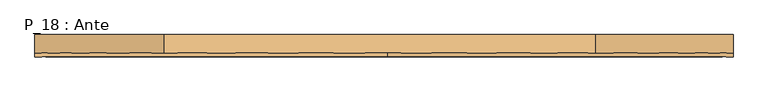
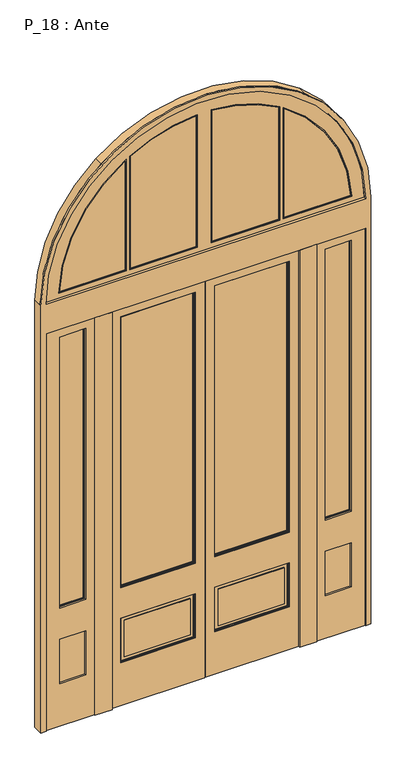
"""IFC4 building model written with IfcOpenShell, lengths in millimetres: door geometry, P_18 : Ante."""

from ifc_helpers import new_model, si_unit, point, frame, frame_2d, origin, origin_with_axes, place, context, project, spatial, polyline, circle_curve, trimmed, segment, composite_curve, outline, extrude, source, transform, mapped, element, save
from ifc_brep_helpers import plane_surface, cylinder_surface, revolved_surface, advanced_brep


def p_18_ante_48ee6f2b(model_context):
    return source(origin(), model_context, "Body", "SolidModel", [
        extrude(outline(polyline([(2420.0, 640.0), (0.0, 640.0), (0.0, 920.0), (2420.0, 920.0), (2420.0, 640.0)]), holes=[polyline([(530.0, 690.0), (530.0, 840.0), (260.0, 840.0), (260.0, 690.0), (530.0, 690.0)]), polyline([(2370.0, 690.0), (2370.0, 840.0), (720.0, 840.0), (720.0, 690.0), (2370.0, 690.0)])]), frame((0.0, 85.0, 0.0), z_axis=(0.0, 1.0, 0.0), x_axis=(0.0, 0.0, 1.0)), (0.0, 0.0, 1.0), 15.0),
        extrude(outline(polyline([(2420.0, -920.0), (0.0, -920.0), (0.0, -640.0), (2420.0, -640.0), (2420.0, -920.0)]), holes=[polyline([(530.0, -840.0), (530.0, -690.0), (260.0, -690.0), (260.0, -840.0), (530.0, -840.0)]), polyline([(2370.0, -840.0), (2370.0, -690.0), (720.0, -690.0), (720.0, -840.0), (2370.0, -840.0)])]), frame((0.0, 85.0, 0.0), z_axis=(0.0, 1.0, 0.0), x_axis=(0.0, 0.0, 1.0)), (0.0, 0.0, 1.0), 15.0),
        extrude(outline(polyline([(2420.0, 640.0), (0.0, 640.0), (0.0, 920.0), (2420.0, 920.0), (2420.0, 640.0)]), holes=[polyline([(530.0, 690.0), (530.0, 840.0), (260.0, 840.0), (260.0, 690.0), (530.0, 690.0)]), polyline([(2370.0, 690.0), (2370.0, 840.0), (720.0, 840.0), (720.0, 690.0), (2370.0, 690.0)])]), frame((0.0, 55.0, 0.0), z_axis=(0.0, 1.0, 0.0), x_axis=(0.0, 0.0, 1.0)), (0.0, 0.0, 1.0), 10.0),
        extrude(outline(polyline([(2420.0, -920.0), (0.0, -920.0), (0.0, -640.0), (2420.0, -640.0), (2420.0, -920.0)]), holes=[polyline([(530.0, -840.0), (530.0, -690.0), (260.0, -690.0), (260.0, -840.0), (530.0, -840.0)]), polyline([(2370.0, -840.0), (2370.0, -690.0), (720.0, -690.0), (720.0, -840.0), (2370.0, -840.0)])]), frame((0.0, 55.0, 0.0), z_axis=(0.0, 1.0, 0.0), x_axis=(0.0, 0.0, 1.0)), (0.0, 0.0, 1.0), 10.0),
        extrude(outline(polyline([(-480.0, 84.0), (-61.0, 84.0), (-61.0, 76.0), (-480.0, 76.0), (-480.0, 84.0)])), frame((0.0, 0.0, 720.0), z_axis=(0.0, 0.0, 1.0), x_axis=(1.0, 0.0, 0.0)), (0.0, 0.0, 1.0), 1640.0),
        extrude(outline(polyline([(61.0, 84.0), (480.0, 84.0), (480.0, 76.0), (61.0, 76.0), (61.0, 84.0)])), frame((0.0, 0.0, 720.0), z_axis=(0.0, 0.0, 1.0), x_axis=(1.0, 0.0, 0.0)), (0.0, 0.0, 1.0), 1640.0),
        extrude(outline(polyline([(2365.0, -56.0), (2365.0, -485.0), (715.0, -485.0), (715.0, -56.0), (2365.0, -56.0)]), holes=[polyline([(2360.0, -61.0), (720.0, -61.0), (720.0, -480.0), (2360.0, -480.0), (2360.0, -61.0)])]), frame((0.0, 65.0, 0.0), z_axis=(0.0, 1.0, 0.0), x_axis=(0.0, 0.0, 1.0)), (0.0, 0.0, 1.0), 5.0),
        extrude(outline(polyline([(530.0, -56.0), (530.0, -485.0), (260.0, -485.0), (260.0, -56.0), (530.0, -56.0)]), holes=[polyline([(525.0, -61.0), (265.0, -61.0), (265.0, -480.0), (525.0, -480.0), (525.0, -61.0)])]), frame((0.0, 65.0, 0.0), z_axis=(0.0, 1.0, 0.0), x_axis=(0.0, 0.0, 1.0)), (0.0, 0.0, 1.0), 5.0),
        extrude(outline(polyline([(-81.0, 65.0), (-460.0, 65.0), (-460.0, 70.0), (-81.0, 70.0), (-81.0, 65.0)])), frame((0.0, 0.0, 285.0), z_axis=(0.0, 0.0, 1.0), x_axis=(1.0, 0.0, 0.0)), (0.0, 0.0, 1.0), 220.0),
        extrude(outline(polyline([(2420.0, -1.0), (2420.0, -540.0), (0.0, -540.0), (0.0, -1.0), (2420.0, -1.0)]), holes=[polyline([(2365.0, -56.0), (715.0, -56.0), (715.0, -485.0), (2365.0, -485.0), (2365.0, -56.0)]), polyline([(530.0, -56.0), (260.0, -56.0), (260.0, -485.0), (530.0, -485.0), (530.0, -56.0)])]), frame((0.0, 60.0, 0.0), z_axis=(0.0, 1.0, 0.0), x_axis=(0.0, 0.0, 1.0)), (0.0, 0.0, 1.0), 10.0),
        extrude(outline(polyline([(530.0, -485.0), (260.0, -485.0), (260.0, -56.0), (530.0, -56.0), (530.0, -485.0)]), holes=[polyline([(525.0, -480.0), (525.0, -61.0), (265.0, -61.0), (265.0, -480.0), (525.0, -480.0)])]), frame((0.0, 90.0, 0.0), z_axis=(0.0, 1.0, 0.0), x_axis=(0.0, 0.0, 1.0)), (0.0, 0.0, 1.0), 5.0),
        extrude(outline(polyline([(-460.0, 95.0), (-81.0, 95.0), (-81.0, 90.0), (-460.0, 90.0), (-460.0, 95.0)])), frame((0.0, 0.0, 285.0), z_axis=(0.0, 0.0, 1.0), x_axis=(1.0, 0.0, 0.0)), (0.0, 0.0, 1.0), 220.0),
        extrude(outline(polyline([(2365.0, -56.0), (2365.0, -485.0), (715.0, -485.0), (715.0, -56.0), (2365.0, -56.0)]), holes=[polyline([(2360.0, -61.0), (720.0, -61.0), (720.0, -480.0), (2360.0, -480.0), (2360.0, -61.0)])]), frame((0.0, 90.0, 0.0), z_axis=(0.0, 1.0, 0.0), x_axis=(0.0, 0.0, 1.0)), (0.0, 0.0, 1.0), 5.0),
        extrude(outline(polyline([(2420.0, -1.0), (2420.0, -540.0), (0.0, -540.0), (0.0, -1.0), (2420.0, -1.0)]), holes=[polyline([(2365.0, -56.0), (715.0, -56.0), (715.0, -485.0), (2365.0, -485.0), (2365.0, -56.0)]), polyline([(530.0, -485.0), (530.0, -56.0), (260.0, -56.0), (260.0, -485.0), (530.0, -485.0)])]), frame((0.0, 90.0, 0.0), z_axis=(0.0, 1.0, 0.0), x_axis=(0.0, 0.0, 1.0)), (0.0, 0.0, 1.0), 10.0),
        extrude(outline(polyline([(2420.0, -1.0), (2420.0, -540.0), (0.0, -540.0), (0.0, -1.0), (2420.0, -1.0)]), holes=[polyline([(2360.0, -61.0), (720.0, -61.0), (720.0, -480.0), (2360.0, -480.0), (2360.0, -61.0)])]), frame((0.0, 70.0, 0.0), z_axis=(0.0, 1.0, 0.0), x_axis=(0.0, 0.0, 1.0)), (0.0, 0.0, 1.0), 20.0),
        extrude(outline(polyline([(530.0, 485.0), (530.0, 56.0), (260.0, 56.0), (260.0, 485.0), (530.0, 485.0)]), holes=[polyline([(525.0, 480.0), (265.0, 480.0), (265.0, 61.0), (525.0, 61.0), (525.0, 480.0)])]), frame((0.0, 65.0, 0.0), z_axis=(0.0, 1.0, 0.0), x_axis=(0.0, 0.0, 1.0)), (0.0, 0.0, 1.0), 5.0),
        extrude(outline(polyline([(460.0, 65.0), (81.0, 65.0), (81.0, 70.0), (460.0, 70.0), (460.0, 65.0)])), frame((0.0, 0.0, 285.0), z_axis=(0.0, 0.0, 1.0), x_axis=(1.0, 0.0, 0.0)), (0.0, 0.0, 1.0), 220.0),
        extrude(outline(polyline([(2365.0, 56.0), (715.0, 56.0), (715.0, 485.0), (2365.0, 485.0), (2365.0, 56.0)]), holes=[polyline([(2360.0, 61.0), (2360.0, 480.0), (720.0, 480.0), (720.0, 61.0), (2360.0, 61.0)])]), frame((0.0, 65.0, 0.0), z_axis=(0.0, 1.0, 0.0), x_axis=(0.0, 0.0, 1.0)), (0.0, 0.0, 1.0), 5.0),
        extrude(outline(polyline([(2420.0, 1.0), (0.0, 1.0), (0.0, 540.0), (2420.0, 540.0), (2420.0, 1.0)]), holes=[polyline([(530.0, 485.0), (260.0, 485.0), (260.0, 56.0), (530.0, 56.0), (530.0, 485.0)]), polyline([(2365.0, 56.0), (2365.0, 485.0), (715.0, 485.0), (715.0, 56.0), (2365.0, 56.0)])]), frame((0.0, 60.0, 0.0), z_axis=(0.0, 1.0, 0.0), x_axis=(0.0, 0.0, 1.0)), (0.0, 0.0, 1.0), 10.0),
        extrude(outline(polyline([(2365.0, 56.0), (715.0, 56.0), (715.0, 485.0), (2365.0, 485.0), (2365.0, 56.0)]), holes=[polyline([(2360.0, 61.0), (2360.0, 480.0), (720.0, 480.0), (720.0, 61.0), (2360.0, 61.0)])]), frame((0.0, 90.0, 0.0), z_axis=(0.0, 1.0, 0.0), x_axis=(0.0, 0.0, 1.0)), (0.0, 0.0, 1.0), 5.0),
        extrude(outline(polyline([(530.0, 56.0), (260.0, 56.0), (260.0, 485.0), (530.0, 485.0), (530.0, 56.0)]), holes=[polyline([(525.0, 61.0), (525.0, 480.0), (265.0, 480.0), (265.0, 61.0), (525.0, 61.0)])]), frame((0.0, 90.0, 0.0), z_axis=(0.0, 1.0, 0.0), x_axis=(0.0, 0.0, 1.0)), (0.0, 0.0, 1.0), 5.0),
        extrude(outline(polyline([(81.0, 95.0), (460.0, 95.0), (460.0, 90.0), (81.0, 90.0), (81.0, 95.0)])), frame((0.0, 0.0, 285.0), z_axis=(0.0, 0.0, 1.0), x_axis=(1.0, 0.0, 0.0)), (0.0, 0.0, 1.0), 220.0),
        extrude(outline(polyline([(2420.0, 540.0), (2420.0, 1.0), (0.0, 1.0), (0.0, 540.0), (2420.0, 540.0)]), holes=[polyline([(530.0, 56.0), (530.0, 485.0), (260.0, 485.0), (260.0, 56.0), (530.0, 56.0)]), polyline([(2365.0, 485.0), (715.0, 485.0), (715.0, 56.0), (2365.0, 56.0), (2365.0, 485.0)])]), frame((0.0, 90.0, 0.0), z_axis=(0.0, 1.0, 0.0), x_axis=(0.0, 0.0, 1.0)), (0.0, 0.0, 1.0), 10.0),
        extrude(outline(polyline([(2420.0, 1.0), (0.0, 1.0), (0.0, 540.0), (2420.0, 540.0), (2420.0, 1.0)]), holes=[polyline([(2360.0, 61.0), (2360.0, 480.0), (720.0, 480.0), (720.0, 61.0), (2360.0, 61.0)])]), frame((0.0, 70.0, 0.0), z_axis=(0.0, 1.0, 0.0), x_axis=(0.0, 0.0, 1.0)), (0.0, 0.0, 1.0), 20.0),
        extrude(outline(polyline([(640.0, 50.0), (540.0, 50.0), (540.0, 100.0), (640.0, 100.0), (640.0, 50.0)])), origin_with_axes(), (0.0, 0.0, 1.0), 2420.0),
        extrude(outline(polyline([(-540.0, 50.0), (-640.0, 50.0), (-640.0, 100.0), (-540.0, 100.0), (-540.0, 50.0)])), origin_with_axes(), (0.0, 0.0, 1.0), 2420.0),
        extrude(outline(polyline([(-695.0, 71.0), (-865.0, 71.0), (-865.0, 79.0), (-695.0, 79.0), (-695.0, 71.0)])), frame((0.0, 0.0, 725.0), z_axis=(0.0, 0.0, 1.0), x_axis=(1.0, 0.0, 0.0)), (0.0, 0.0, 1.0), 1640.0),
        extrude(outline(polyline([(865.0, 71.0), (695.0, 71.0), (695.0, 79.0), (865.0, 79.0), (865.0, 71.0)])), frame((0.0, 0.0, 725.0), z_axis=(0.0, 0.0, 1.0), x_axis=(1.0, 0.0, 0.0)), (0.0, 0.0, 1.0), 1640.0),
        extrude(outline(polyline([(530.0, -690.0), (530.0, -840.0), (260.0, -840.0), (260.0, -690.0), (530.0, -690.0)]), holes=[polyline([(525.0, -695.0), (265.0, -695.0), (265.0, -835.0), (525.0, -835.0), (525.0, -695.0)])]), frame((0.0, 70.0, 0.0), z_axis=(0.0, 1.0, 0.0), x_axis=(0.0, 0.0, 1.0)), (0.0, 0.0, 1.0), 5.0),
        extrude(outline(polyline([(530.0, 840.0), (530.0, 690.0), (260.0, 690.0), (260.0, 840.0), (530.0, 840.0)]), holes=[polyline([(525.0, 835.0), (265.0, 835.0), (265.0, 695.0), (525.0, 695.0), (525.0, 835.0)])]), frame((0.0, 70.0, 0.0), z_axis=(0.0, 1.0, 0.0), x_axis=(0.0, 0.0, 1.0)), (0.0, 0.0, 1.0), 5.0),
        extrude(outline(polyline([(2370.0, -690.0), (2370.0, -840.0), (720.0, -840.0), (720.0, -690.0), (2370.0, -690.0)]), holes=[polyline([(2365.0, -695.0), (725.0, -695.0), (725.0, -835.0), (2365.0, -835.0), (2365.0, -695.0)])]), frame((0.0, 70.0, 0.0), z_axis=(0.0, 1.0, 0.0), x_axis=(0.0, 0.0, 1.0)), (0.0, 0.0, 1.0), 5.0),
        extrude(outline(polyline([(2370.0, 840.0), (2370.0, 690.0), (720.0, 690.0), (720.0, 840.0), (2370.0, 840.0)]), holes=[polyline([(2365.0, 835.0), (725.0, 835.0), (725.0, 695.0), (2365.0, 695.0), (2365.0, 835.0)])]), frame((0.0, 70.0, 0.0), z_axis=(0.0, 1.0, 0.0), x_axis=(0.0, 0.0, 1.0)), (0.0, 0.0, 1.0), 5.0),
        extrude(outline(polyline([(815.0, 70.0), (715.0, 70.0), (715.0, 75.0), (815.0, 75.0), (815.0, 70.0)])), frame((0.0, 0.0, 285.0), z_axis=(0.0, 0.0, 1.0), x_axis=(1.0, 0.0, 0.0)), (0.0, 0.0, 1.0), 220.0),
        extrude(outline(polyline([(-715.0, 70.0), (-815.0, 70.0), (-815.0, 75.0), (-715.0, 75.0), (-715.0, 70.0)])), frame((0.0, 0.0, 285.0), z_axis=(0.0, 0.0, 1.0), x_axis=(1.0, 0.0, 0.0)), (0.0, 0.0, 1.0), 220.0),
        extrude(outline(polyline([(530.0, 690.0), (260.0, 690.0), (260.0, 840.0), (530.0, 840.0), (530.0, 690.0)]), holes=[polyline([(525.0, 695.0), (525.0, 835.0), (265.0, 835.0), (265.0, 695.0), (525.0, 695.0)])]), frame((0.0, 85.0, 0.0), z_axis=(0.0, 1.0, 0.0), x_axis=(0.0, 0.0, 1.0)), (0.0, 0.0, 1.0), 5.0),
        extrude(outline(polyline([(530.0, -840.0), (260.0, -840.0), (260.0, -690.0), (530.0, -690.0), (530.0, -840.0)]), holes=[polyline([(525.0, -835.0), (525.0, -695.0), (265.0, -695.0), (265.0, -835.0), (525.0, -835.0)])]), frame((0.0, 85.0, 0.0), z_axis=(0.0, 1.0, 0.0), x_axis=(0.0, 0.0, 1.0)), (0.0, 0.0, 1.0), 5.0),
        extrude(outline(polyline([(2370.0, 690.0), (720.0, 690.0), (720.0, 840.0), (2370.0, 840.0), (2370.0, 690.0)]), holes=[polyline([(2365.0, 695.0), (2365.0, 835.0), (725.0, 835.0), (725.0, 695.0), (2365.0, 695.0)])]), frame((0.0, 85.0, 0.0), z_axis=(0.0, 1.0, 0.0), x_axis=(0.0, 0.0, 1.0)), (0.0, 0.0, 1.0), 5.0),
        extrude(outline(polyline([(2370.0, -840.0), (720.0, -840.0), (720.0, -690.0), (2370.0, -690.0), (2370.0, -840.0)]), holes=[polyline([(2365.0, -835.0), (2365.0, -695.0), (725.0, -695.0), (725.0, -835.0), (2365.0, -835.0)])]), frame((0.0, 85.0, 0.0), z_axis=(0.0, 1.0, 0.0), x_axis=(0.0, 0.0, 1.0)), (0.0, 0.0, 1.0), 5.0),
        extrude(outline(polyline([(815.0, 85.0), (715.0, 85.0), (715.0, 90.0), (815.0, 90.0), (815.0, 85.0)])), frame((0.0, 0.0, 285.0), z_axis=(0.0, 0.0, 1.0), x_axis=(1.0, 0.0, 0.0)), (0.0, 0.0, 1.0), 220.0),
        extrude(outline(polyline([(-715.0, 85.0), (-815.0, 85.0), (-815.0, 90.0), (-715.0, 90.0), (-715.0, 85.0)])), frame((0.0, 0.0, 285.0), z_axis=(0.0, 0.0, 1.0), x_axis=(1.0, 0.0, 0.0)), (0.0, 0.0, 1.0), 220.0),
        extrude(outline(polyline([(2420.0, 640.0), (0.0, 640.0), (0.0, 920.0), (2420.0, 920.0), (2420.0, 640.0)]), holes=[polyline([(2365.0, 695.0), (2365.0, 840.0), (725.0, 840.0), (725.0, 695.0), (2365.0, 695.0)])]), frame((0.0, 65.0, 0.0), z_axis=(0.0, 1.0, 0.0), x_axis=(0.0, 0.0, 1.0)), (0.0, 0.0, 1.0), 20.0),
        extrude(outline(polyline([(2420.0, -920.0), (0.0, -920.0), (0.0, -640.0), (2420.0, -640.0), (2420.0, -920.0)]), holes=[polyline([(2365.0, -840.0), (2365.0, -695.0), (725.0, -695.0), (725.0, -840.0), (2365.0, -840.0)])]), frame((0.0, 65.0, 0.0), z_axis=(0.0, 1.0, 0.0), x_axis=(0.0, 0.0, 1.0)), (0.0, 0.0, 1.0), 20.0),
        advanced_brep(
        [(-950.0, 50.0, 0.0), (-920.0, 50.0, 0.0), (-920.0, 50.0, 2420.0), (920.0, 50.0, 2420.0), (920.0, 50.0, 0.0), (950.0, 50.0, 0.0), (950.0, 50.0, 2600.0), (10.0746694, 50.0, 3549.946578), (-950.0, 50.0, 2600.0), (920.0, 50.0, 2600.0), (-920.0, 50.0, 2600.0), (-54.5964416, 50.0, 3518.3785867), (-950.0, 110.0, 0.0), (-920.0, 110.0, 0.0), (-920.0, 110.0, 2600.0), (-920.0, 105.0, 2600.0), (-920.0, 105.0, 2420.0), (920.0, 110.0, 2600.0), (920.0, 110.0, 0.0), (920.0, 105.0, 2420.0), (920.0, 105.0, 2600.0), (950.0, 110.0, 0.0), (950.0, 60.0, 2600.0), (950.0, 110.0, 2600.0), (950.0, 105.0, 2600.0), (-950.0, 60.0, 2600.0), (-950.0, 105.0, 2600.0), (-950.0, 110.0, 2600.0), (596.8275039, 110.0, 3300.1406506), (-602.4969533, 110.0, 3295.2678774), (-599.4350824, 110.0, 3337.0058222), (575.7103184, 110.0, 3355.683551), (-54.5964416, 60.0, 3518.3785867), (-920.0, 60.0, 2600.0), (-602.4969533, 60.0, 3295.2678774), (596.8275039, 60.0, 3300.1406506), (920.0, 60.0, 2600.0), (575.7103184, 60.0, 3355.683551), (10.0746694, 60.0, 3549.946578), (-599.4350824, 60.0, 3337.0058222)],
        [
            (0, 1),
            (1, 2),
            (2, 3),
            (3, 4),
            (4, 5),
            (5, 6),
            (6, 7, circle_curve(frame((0.0, 50.0, 2600.0), z_axis=(0.0, -1.0, 0.0), x_axis=(1.0, 0.0, 0.0)), 950.0)),
            (7, 8, circle_curve(frame((0.0, 50.0, 2600.0), z_axis=(0.0, -1.0, 0.0), x_axis=(1.0, 0.0, 0.0)), 950.0)),
            (8, 0),
            (9, 10),
            (10, 11, circle_curve(frame((0.0, 50.0, 2600.0), z_axis=(0.0, 1.0, 0.0), x_axis=(1.0, 0.0, 0.0)), 920.0)),
            (11, 9, circle_curve(frame((0.0, 50.0, 2600.0), z_axis=(0.0, 1.0, 0.0), x_axis=(1.0, 0.0, 0.0)), 920.0)),
            (0, 12),
            (12, 13),
            (13, 1),
            (13, 14),
            (14, 15),
            (15, 16),
            (16, 2),
            (17, 18),
            (18, 4),
            (3, 19),
            (19, 20),
            (20, 17),
            (18, 21),
            (21, 5),
            (22, 6),
            (21, 23),
            (23, 24),
            (24, 22),
            (8, 25),
            (25, 26),
            (26, 27),
            (27, 12),
            (17, 28, circle_curve(frame((0.0, 110.0, 2600.0), z_axis=(0.0, -1.0, 0.0), x_axis=(1.0, 0.0, 0.0)), 920.0)),
            (28, 29, circle_curve(frame((0.0, 110.0, 2600.0), z_axis=(0.0, -1.0, 0.0), x_axis=(1.0, 0.0, 0.0)), 920.0)),
            (29, 14, circle_curve(frame((0.0, 110.0, 2600.0), z_axis=(0.0, -1.0, 0.0), x_axis=(1.0, 0.0, 0.0)), 920.0)),
            (27, 30, circle_curve(frame((0.0, 110.0, 2600.0), z_axis=(0.0, 1.0, 0.0), x_axis=(1.0, 0.0, 0.0)), 950.0)),
            (30, 31, circle_curve(frame((0.0, 110.0, 2600.0), z_axis=(0.0, 1.0, 0.0), x_axis=(1.0, 0.0, 0.0)), 950.0)),
            (31, 23, circle_curve(frame((0.0, 110.0, 2600.0), z_axis=(0.0, 1.0, 0.0), x_axis=(1.0, 0.0, 0.0)), 950.0)),
            (32, 11),
            (10, 33),
            (33, 34, circle_curve(frame((0.0, 60.0, 2600.0), z_axis=(0.0, 1.0, 0.0), x_axis=(1.0, 0.0, 0.0)), 920.0)),
            (34, 32, circle_curve(frame((0.0, 60.0, 2600.0), z_axis=(0.0, 1.0, 0.0), x_axis=(1.0, 0.0, 0.0)), 920.0)),
            (32, 35, circle_curve(frame((0.0, 60.0, 2600.0), z_axis=(0.0, 1.0, 0.0), x_axis=(1.0, 0.0, 0.0)), 920.0)),
            (35, 36, circle_curve(frame((0.0, 60.0, 2600.0), z_axis=(0.0, 1.0, 0.0), x_axis=(1.0, 0.0, 0.0)), 920.0)),
            (36, 9),
            (22, 37, circle_curve(frame((0.0, 60.0, 2600.0), z_axis=(0.0, -1.0, 0.0), x_axis=(1.0, 0.0, 0.0)), 950.0)),
            (37, 38, circle_curve(frame((0.0, 60.0, 2600.0), z_axis=(0.0, -1.0, 0.0), x_axis=(1.0, 0.0, 0.0)), 950.0)),
            (38, 7),
            (38, 39, circle_curve(frame((0.0, 60.0, 2600.0), z_axis=(0.0, -1.0, 0.0), x_axis=(1.0, 0.0, 0.0)), 950.0)),
            (39, 25, circle_curve(frame((0.0, 60.0, 2600.0), z_axis=(0.0, -1.0, 0.0), x_axis=(1.0, 0.0, 0.0)), 950.0)),
            (29, 34),
            (33, 15),
            (15, 20),
            (19, 16),
            (39, 30),
            (31, 37),
            (20, 36),
            (35, 28),
        ],
        [
            plane_surface(frame((-950.0, 50.0, 0.0), z_axis=(0.0, -1.0, 0.0), x_axis=(1.0, 0.0, 0.0))),
            plane_surface(frame((-950.0, 50.0, 0.0), z_axis=(0.0, 0.0, -1.0), x_axis=(0.0, 1.0, 0.0))),
            plane_surface(frame((-920.0, 50.0, 0.0), z_axis=(1.0, 0.0, 0.0), x_axis=(0.0, 1.0, 0.0))),
            plane_surface(frame((920.0, 50.0, 2600.0), z_axis=(-1.0, 0.0, 0.0), x_axis=(0.0, 1.0, 0.0))),
            plane_surface(frame((920.0, 50.0, 0.0), z_axis=(0.0, 0.0, -1.0), x_axis=(0.0, 1.0, 0.0))),
            plane_surface(frame((950.0, 50.0, 0.0), z_axis=(1.0, 0.0, 0.0), x_axis=(0.0, 1.0, 0.0))),
            plane_surface(frame((-950.0, 50.0, 2600.0), z_axis=(-1.0, 0.0, 0.0), x_axis=(0.0, 1.0, 0.0))),
            plane_surface(frame((950.0, 110.0, 2600.0), z_axis=(0.0, 1.0, 0.0), x_axis=(0.0, 0.0, -1.0))),
            revolved_surface(polyline([(920.0, 60.0, 2600.0), (920.0, 50.0, 2600.0)]), (0.0, 60.0, 2600.0), (0.0, 1.0, 0.0)),
            cylinder_surface(frame((0.0, 60.0, 2600.0), z_axis=(0.0, -1.0, 0.0), x_axis=(1.0, 0.0, 0.0)), 950.0),
            revolved_surface(polyline([(920.0, 110.0, 2600.0), (920.0, 60.0, 2600.0)]), (0.0, 110.0, 2600.0), (0.0, 1.0, 0.0)),
            plane_surface(frame((-950.0, 105.0, 2600.0), z_axis=(0.0, 1.0, 0.0), x_axis=(1.0, 0.0, 0.0))),
            plane_surface(frame((-950.0, 105.0, 2420.0), z_axis=(0.0, 0.0, -1.0), x_axis=(1.0, 0.0, 0.0))),
            cylinder_surface(frame((0.0, 110.0, 2600.0), z_axis=(0.0, -1.0, 0.0), x_axis=(1.0, 0.0, 0.0)), 950.0),
            plane_surface(frame((-950.0, 50.0, 2600.0), z_axis=(0.0, 0.0, 1.0), x_axis=(1.0, 0.0, 0.0))),
        ],
        [
            (0, [[1, 2, 3, 4, 5, 6, 7, 8, 9], [10, 11, 12]]),
            (1, [[-1, 13, 14, 15]]),
            (2, [[16, 17, 18, 19, -2, -15]]),
            (3, [[20, 21, -4, 22, 23, 24]]),
            (4, [[-5, -21, 25, 26]]),
            (5, [[27, -6, -26, 28, 29, 30]]),
            (6, [[-9, 31, 32, 33, 34, -13]]),
            (7, [[-28, -25, -20, 35, 36, 37, -16, -14, -34, 38, 39, 40]]),
            (8, [[41, -11, 42, 43, 44]]),
            (8, [[-12, -41, 45, 46, 47]]),
            (9, [[-7, -27, 48, 49, 50]]),
            (9, [[-31, -8, -50, 51, 52]]),
            (10, [[-37, 53, -43, 54, -17]]),
            (11, [[55, -23, 56, -18]]),
            (12, [[-3, -19, -56, -22]]),
            (13, [[-38, -33, -32, -52, 57]]),
            (13, [[-40, 58, -48, -30, -29]]),
            (10, [[-35, -24, 59, -46, 60]]),
            (10, [[-36, -60, -45, -44, -53]]),
            (13, [[-39, -57, -51, -49, -58]]),
            (14, [[-10, -47, -59, -55, -54, -42]]),
        ],
    ),
        extrude(outline(composite_curve([segment(trimmed(circle_curve(frame_2d((2590.0176241, 0.5934396)), 845.0), [point((2635.0, 844.3953037))], [point((3299.3343326, 459.8262858))], False, "CARTESIAN"), True, "CONTINUOUS"), segment(polyline([(3299.3343326, 459.8262858), (2635.0, 459.8262858), (2635.0, 844.3953037)]), True, "CONTINUOUS")], self_intersect=False)), frame((0.0, 70.0, 0.0), z_axis=(0.0, 1.0, 0.0), x_axis=(0.0, 0.0, 1.0)), (0.0, 0.0, 1.0), 10.0),
        extrude(outline(composite_curve([segment(polyline([(2635.0, 429.8262858), (3317.8803609, 429.8262858)]), True, "CONTINUOUS"), segment(trimmed(circle_curve(frame_2d((2590.0176241, 0.5934396)), 845.0), [point((3317.8803609, 429.8262858))], [point((3433.8499874, 45.0))], False, "CARTESIAN"), True, "CONTINUOUS"), segment(polyline([(3433.8499874, 45.0), (2635.0, 45.0), (2635.0, 429.8262858)]), True, "CONTINUOUS")], self_intersect=False)), frame((0.0, 70.0, 0.0), z_axis=(0.0, 1.0, 0.0), x_axis=(0.0, 0.0, 1.0)), (0.0, 0.0, 1.0), 10.0),
        extrude(outline(composite_curve([segment(polyline([(2635.0, -45.0), (3433.7865434, -45.0)]), True, "CONTINUOUS"), segment(trimmed(circle_curve(frame_2d((2600.0, 0.0)), 835.0), [point((3433.7865434, -45.0))], [point((3318.9072815, -424.7320574))], False, "CARTESIAN"), True, "CONTINUOUS"), segment(polyline([(3318.9072815, -424.7320574), (2635.0, -424.7320574), (2635.0, -45.0)]), True, "CONTINUOUS")], self_intersect=False)), frame((0.0, 70.0, 0.0), z_axis=(0.0, 1.0, 0.0), x_axis=(0.0, 0.0, 1.0)), (0.0, 0.0, 1.0), 10.0),
        extrude(outline(composite_curve([segment(polyline([(2635.0, -454.7320574), (3300.3168968, -454.7320574)]), True, "CONTINUOUS"), segment(trimmed(circle_curve(frame_2d((2600.0, 0.0)), 835.0), [point((3300.3168968, -454.7320574))], [point((2635.0, -834.2661446))], False, "CARTESIAN"), True, "CONTINUOUS"), segment(polyline([(2635.0, -834.2661446), (2635.0, -454.7320574)]), True, "CONTINUOUS")], self_intersect=False)), frame((0.0, 70.0, 0.0), z_axis=(0.0, 1.0, 0.0), x_axis=(0.0, 0.0, 1.0)), (0.0, 0.0, 1.0), 10.0),
        extrude(outline(composite_curve([segment(trimmed(circle_curve(frame_2d((2590.0176241, 0.5934396)), 850.0), [point((2630.0, 849.6525716))], [point((3308.4690987, 454.8262858))], False, "CARTESIAN"), True, "CONTINUOUS"), segment(polyline([(3308.4690987, 454.8262858), (2630.0, 454.8262858), (2630.0, 849.6525716)]), True, "CONTINUOUS")], self_intersect=False), holes=[composite_curve([segment(trimmed(circle_curve(frame_2d((2590.0176241, 0.5934396)), 845.0), [point((3299.3343326, 459.8262858))], [point((2635.0, 844.3953037))], True, "CARTESIAN"), True, "CONTINUOUS"), segment(polyline([(2635.0, 844.3953037), (2635.0, 459.8262858), (3299.3343326, 459.8262858)]), True, "CONTINUOUS")], self_intersect=False)]), frame((0.0, 65.0, 0.0), z_axis=(0.0, 1.0, 0.0), x_axis=(0.0, 0.0, 1.0)), (0.0, 0.0, 1.0), 20.0),
        extrude(outline(composite_curve([segment(polyline([(2630.0, 434.8262858), (3320.7308614, 434.8262858)]), True, "CONTINUOUS"), segment(trimmed(circle_curve(frame_2d((2590.0176241, 0.5934396)), 850.0), [point((3320.7308614, 434.8262858))], [point((3439.1036756, 40.0))], False, "CARTESIAN"), True, "CONTINUOUS"), segment(polyline([(3439.1036756, 40.0), (2630.0, 40.0), (2630.0, 434.8262858)]), True, "CONTINUOUS")], self_intersect=False), holes=[composite_curve([segment(trimmed(circle_curve(frame_2d((2590.0176241, 0.5934396)), 845.0), [point((3433.8499874, 45.0))], [point((3317.8803609, 429.8262858))], True, "CARTESIAN"), True, "CONTINUOUS"), segment(polyline([(3317.8803609, 429.8262858), (2635.0, 429.8262858), (2635.0, 45.0), (3433.8499874, 45.0)]), True, "CONTINUOUS")], self_intersect=False)]), frame((0.0, 65.0, 0.0), z_axis=(0.0, 1.0, 0.0), x_axis=(0.0, 0.0, 1.0)), (0.0, 0.0, 1.0), 20.0),
        extrude(outline(composite_curve([segment(trimmed(circle_curve(frame_2d((2600.0, 0.0)), 840.0), [point((3439.0470785, -40.0))], [point((3321.7550546, -429.7320574))], False, "CARTESIAN"), True, "CONTINUOUS"), segment(polyline([(3321.7550546, -429.7320574), (2630.0, -429.7320574), (2630.0, -40.0), (3439.0470785, -40.0)]), True, "CONTINUOUS")], self_intersect=False), holes=[composite_curve([segment(polyline([(2635.0, -45.0), (2635.0, -424.7320574), (3318.9072815, -424.7320574)]), True, "CONTINUOUS"), segment(trimmed(circle_curve(frame_2d((2600.0, 0.0)), 835.0), [point((3318.9072815, -424.7320574))], [point((3433.7865434, -45.0))], True, "CARTESIAN"), True, "CONTINUOUS"), segment(polyline([(3433.7865434, -45.0), (2635.0, -45.0)]), True, "CONTINUOUS")], self_intersect=False)]), frame((0.0, 65.0, 0.0), z_axis=(0.0, 1.0, 0.0), x_axis=(0.0, 0.0, 1.0)), (0.0, 0.0, 1.0), 20.0),
        extrude(outline(composite_curve([segment(polyline([(2630.0, -449.7320574), (3309.4653456, -449.7320574)]), True, "CONTINUOUS"), segment(trimmed(circle_curve(frame_2d((2600.0, 0.0)), 840.0), [point((3309.4653456, -449.7320574))], [point((2630.0, -839.4641148))], False, "CARTESIAN"), True, "CONTINUOUS"), segment(polyline([(2630.0, -839.4641148), (2630.0, -449.7320574)]), True, "CONTINUOUS")], self_intersect=False), holes=[composite_curve([segment(polyline([(2635.0, -454.7320574), (2635.0, -834.2661446)]), True, "CONTINUOUS"), segment(trimmed(circle_curve(frame_2d((2600.0, 0.0)), 835.0), [point((2635.0, -834.2661446))], [point((3300.3168968, -454.7320574))], True, "CARTESIAN"), True, "CONTINUOUS"), segment(polyline([(3300.3168968, -454.7320574), (2635.0, -454.7320574)]), True, "CONTINUOUS")], self_intersect=False)]), frame((0.0, 65.0, 0.0), z_axis=(0.0, 1.0, 0.0), x_axis=(0.0, 0.0, 1.0)), (0.0, 0.0, 1.0), 20.0),
        extrude(outline(composite_curve([segment(trimmed(circle_curve(frame_2d((2600.0, 0.0)), 920.0), [point((3518.3785867, -54.5964416))], [point((2600.0, -920.0))], False, "CARTESIAN"), True, "CONTINUOUS"), segment(polyline([(2600.0, -920.0), (2600.0, 920.0)]), True, "CONTINUOUS"), segment(trimmed(circle_curve(frame_2d((2600.0, 0.0)), 920.0), [point((2600.0, 920.0))], [point((3518.3785867, -54.5964416))], False, "CARTESIAN"), True, "CONTINUOUS")], self_intersect=False), holes=[composite_curve([segment(polyline([(2630.0, -449.7320574), (2630.0, -839.4641148)]), True, "CONTINUOUS"), segment(trimmed(circle_curve(frame_2d((2600.0, 0.0)), 840.0), [point((2630.0, -839.4641148))], [point((3309.4653456, -449.7320574))], True, "CARTESIAN"), True, "CONTINUOUS"), segment(polyline([(3309.4653456, -449.7320574), (2630.0, -449.7320574)]), True, "CONTINUOUS")], self_intersect=False), composite_curve([segment(trimmed(circle_curve(frame_2d((2600.0, 0.0)), 840.0), [point((3321.7550546, -429.7320574))], [point((3438.5195792, -49.848925))], True, "CARTESIAN"), True, "CONTINUOUS"), segment(trimmed(circle_curve(frame_2d((2590.0176241, 0.5934396)), 850.0), [point((3438.5195792, -49.848925))], [point((3439.0477605, -40.0))], True, "CARTESIAN"), True, "CONTINUOUS"), segment(polyline([(3439.0477605, -40.0), (2630.0, -40.0), (2630.0, -429.7320574), (3321.7550546, -429.7320574)]), True, "CONTINUOUS")], self_intersect=False), composite_curve([segment(trimmed(circle_curve(frame_2d((2590.0176241, 0.5934396)), 850.0), [point((3308.4690987, 454.8262858))], [point((2630.0, 849.6525716))], True, "CARTESIAN"), True, "CONTINUOUS"), segment(polyline([(2630.0, 849.6525716), (2630.0, 454.8262858), (3308.4690987, 454.8262858)]), True, "CONTINUOUS")], self_intersect=False), composite_curve([segment(polyline([(2630.0, 40.0), (3439.1036756, 40.0)]), True, "CONTINUOUS"), segment(trimmed(circle_curve(frame_2d((2590.0176241, 0.5934396)), 850.0), [point((3439.1036756, 40.0))], [point((3320.7308614, 434.8262858))], True, "CARTESIAN"), True, "CONTINUOUS"), segment(polyline([(3320.7308614, 434.8262858), (2630.0, 434.8262858), (2630.0, 40.0)]), True, "CONTINUOUS")], self_intersect=False)]), frame((0.0, 65.0, 0.0), z_axis=(0.0, 1.0, 0.0), x_axis=(0.0, 0.0, 1.0)), (0.0, 0.0, 1.0), 30.0),
    ])


if __name__ == "__main__":
    model = new_model("IFC4")
    model_context = context("Model", 3, world=origin())
    ifc_project = project(units=[si_unit("LENGTHUNIT", "METRE", prefix="MILLI")], contexts=[model_context])
    site = spatial("IfcSite", under=ifc_project)
    building = spatial("IfcBuilding", under=site)
    placement = place(None, origin())
    p_18_ante_shape = p_18_ante_48ee6f2b(model_context)
    element("IfcDoor", 1, ObjectType="P_18 : Ante", at=placement, inside=building, context=model_context, shape_type="MappedRepresentation", body=[
        mapped(p_18_ante_shape, transform((0.0, 0.0, 0.0), x_axis=(1.0, 0.0, 0.0), y_axis=(0.0, 1.0, 0.0), z_axis=(0.0, 0.0, 1.0))),
    ])
    save(model, "model.ifc")
